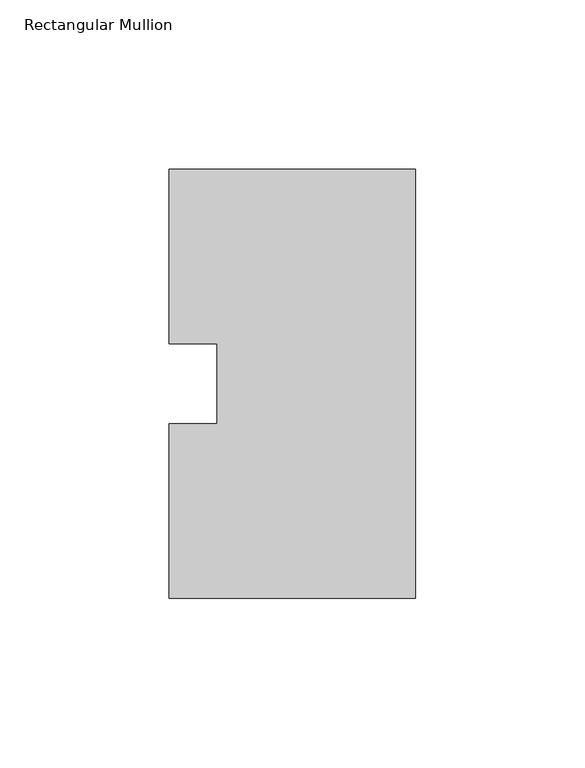
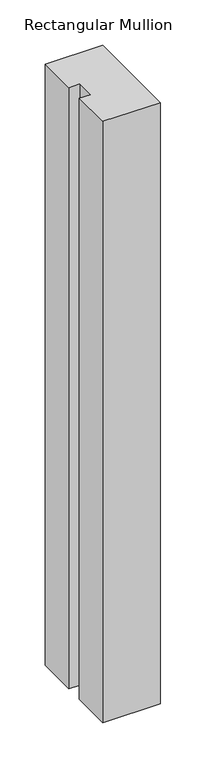
"""IFC4 building model written with IfcOpenShell, lengths in millimetres: member geometry, Rectangular Mullion."""

from ifc_helpers import new_model, si_unit, frame, origin, place, context, project, spatial, polyline, outline, extrude, source, transform, mapped, element, save


def rectangular_mullion_e7f4cb3a(model_context):
    return source(origin(), model_context, "Body", "SweptSolid", [
        extrude(outline(polyline([(0.0, 127.00635), (0.0, 0.00635), (-73.025, 0.00635), (-73.025, 51.60645), (-58.7375, 51.60645), (-58.7375, 75.40625), (-73.025, 75.40625), (-73.025, 127.00635), (0.0, 127.00635)])), frame((0.0, 0.0, -809.625), z_axis=(0.0, 0.0, 1.0), x_axis=(1.0, 0.0, 0.0)), (0.0, 0.0, 1.0), 809.625),
    ])


if __name__ == "__main__":
    model = new_model("IFC4")
    model_context = context("Model", 3, world=origin())
    ifc_project = project(units=[si_unit("LENGTHUNIT", "METRE", prefix="MILLI")], contexts=[model_context])
    site = spatial("IfcSite", under=ifc_project)
    building = spatial("IfcBuilding", under=site)
    placement = place(None, origin())
    rectangular_mullion_shape = rectangular_mullion_e7f4cb3a(model_context)
    element("IfcMember", 1, ObjectType="Rectangular Mullion", at=placement, inside=building, context=model_context, shape_type="MappedRepresentation", body=[
        mapped(rectangular_mullion_shape, transform((0.0, 0.0, 0.0), x_axis=(1.0, 0.0, 0.0), y_axis=(0.0, 1.0, 0.0), z_axis=(0.0, 0.0, 1.0))),
    ])
    save(model, "model.ifc")
